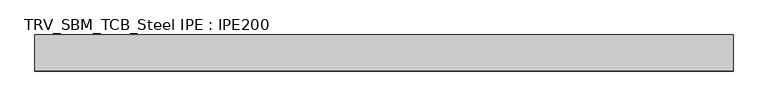
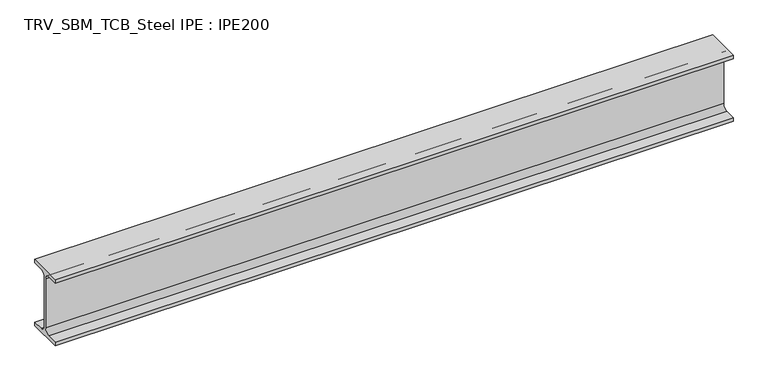
"""IFC4 building model written with IfcOpenShell, lengths in millimetres: beam geometry, TRV_SBM_TCB_Steel IPE : IPE200."""

import ifcopenshell
import ifcopenshell.guid

model = None  # the IFC model being written
_history = None  # IfcOwnerHistory: only IFC2X3 demands one
_inside = {}  # id of a spatial element -> (the spatial element, [elements in it])
_under = {}  # id of a project, library or spatial element -> (it, [spatial elements below it])
_declared = {}  # id of a project -> (the project, [libraries it declares])
_typed = {}  # id of a type object -> (the type object, [elements of that type])
_made_of = {}  # id of a material, layer set ... -> (it, [elements and type objects made of it])


def new_model(schema):
    """Start an empty IFC model of exactly this schema.

    Asked for "IFC4X3", IfcOpenShell would pick the latest addendum, in which some entities
    have other attributes; the version numbers below select the first issue.
    IFC2X3 requires an IfcOwnerHistory on every rooted entity: one is made here for all.
    """
    global model, _history
    if schema == "IFC4X3":
        model = ifcopenshell.file(schema_version=(4, 3, 0, 0))
    else:
        model = ifcopenshell.file(schema=schema)
    _inside.clear()
    _under.clear()
    _declared.clear()
    _typed.clear()
    _made_of.clear()
    _history = None
    if model.schema == "IFC2X3":
        org = make("IfcOrganization", Name="unknown")
        user = make(
            "IfcPersonAndOrganization",
            ThePerson=make("IfcPerson", FamilyName="unknown"),
            TheOrganization=org,
        )
        app = make(
            "IfcApplication",
            ApplicationDeveloper=org,
            Version="unknown",
            ApplicationFullName="unknown",
            ApplicationIdentifier="unknown",
        )
        _history = make(
            "IfcOwnerHistory",
            OwningUser=user,
            OwningApplication=app,
            ChangeAction="ADDED",
            CreationDate=0,
        )
    return model


def make(cls, **values):
    """One entity of the class cls with the attributes given. An attribute that is None is left unset."""
    return model.create_entity(
        cls, **{name: value for name, value in values.items() if value is not None}
    )


def rooted(cls, **values):
    """An entity with a GlobalId (a new one), such as an element, a storey or a relation."""
    return make(cls, GlobalId=ifcopenshell.guid.new(), OwnerHistory=_history, **values)


def si_unit(unit_type, name, prefix=None):
    """IfcSIUnit, for example si_unit("LENGTHUNIT", "METRE", prefix="MILLI")."""
    return make("IfcSIUnit", UnitType=unit_type, Prefix=prefix, Name=name)


def assignment(units):
    """IfcUnitAssignment: the units of a project."""
    return None if units is None else make("IfcUnitAssignment", Units=units)


def point(xyz):
    """IfcCartesianPoint."""
    return None if xyz is None else make("IfcCartesianPoint", Coordinates=xyz)


def direction(xyz):
    """IfcDirection."""
    return None if xyz is None else make("IfcDirection", DirectionRatios=xyz)


def frame(location, z_axis=None, x_axis=None):
    """IfcAxis2Placement3D, a coordinate frame: its origin and axes. An axis left out is left unset."""
    return make(
        "IfcAxis2Placement3D",
        Location=point(location),
        Axis=direction(z_axis),
        RefDirection=direction(x_axis),
    )


def frame_2d(location, x_axis=None):
    """IfcAxis2Placement2D, a coordinate frame in the plane: its origin and x axis."""
    return make(
        "IfcAxis2Placement2D", Location=point(location), RefDirection=direction(x_axis)
    )


def origin():
    """The frame at (0, 0, 0) with its axes left unset."""
    return frame((0.0, 0.0, 0.0))


def place(relative_to, where):
    """IfcLocalPlacement: puts the frame where relative to a parent placement (None: the world)."""
    return make(
        "IfcLocalPlacement", PlacementRelTo=relative_to, RelativePlacement=where
    )


def context(
    kind, dimensions, precision=None, world=None, true_north=None, identifier=None
):
    """IfcGeometricRepresentationContext, for example the 3D "Model" context."""
    return make(
        "IfcGeometricRepresentationContext",
        ContextIdentifier=identifier,
        ContextType=kind,
        CoordinateSpaceDimension=dimensions,
        Precision=precision,
        WorldCoordinateSystem=world,
        TrueNorth=true_north,
    )


def project(units=None, contexts=None):
    """IfcProject with its units and contexts."""
    return rooted(
        "IfcProject",
        Name="project",
        RepresentationContexts=contexts,
        UnitsInContext=assignment(units),
    )


def spatial(cls, under=None, at=None, **own):
    """A site, building, storey or space (cls), placed at a placement, below another one or the project."""
    s = rooted(cls, ObjectPlacement=at, **own)
    if under is not None:
        _under.setdefault(under.id(), (under, []))[1].append(s)
    return s


def polyline(points):
    """IfcPolyline through the points."""
    return make("IfcPolyline", Points=[point(p) for p in points])


def circle_curve(where, radius):
    """IfcCircle in the frame where."""
    return make("IfcCircle", Position=where, Radius=radius)


def trimmed(basis, trim1, trim2, sense, master):
    """IfcTrimmedCurve: the piece of a basis curve between two trims."""
    return make(
        "IfcTrimmedCurve",
        BasisCurve=basis,
        Trim1=trim1,
        Trim2=trim2,
        SenseAgreement=sense,
        MasterRepresentation=master,
    )


def segment(curve, same_sense, transition):
    """IfcCompositeCurveSegment."""
    return make(
        "IfcCompositeCurveSegment",
        Transition=transition,
        SameSense=same_sense,
        ParentCurve=curve,
    )


def composite_curve(segments, self_intersect=None):
    """IfcCompositeCurve: segments joined end to end."""
    return make("IfcCompositeCurve", Segments=segments, SelfIntersect=self_intersect)


def outline(outer, holes=None, kind="AREA"):
    """IfcArbitraryClosedProfileDef: a profile drawn as a closed curve; with holes, ...WithVoids."""
    if holes is None:
        return make("IfcArbitraryClosedProfileDef", ProfileType=kind, OuterCurve=outer)
    return make(
        "IfcArbitraryProfileDefWithVoids",
        ProfileType=kind,
        OuterCurve=outer,
        InnerCurves=holes,
    )


def extrude(swept, where, along, depth):
    """IfcExtrudedAreaSolid: the profile swept, set in the frame where, extruded along a direction by depth."""
    return make(
        "IfcExtrudedAreaSolid",
        SweptArea=swept,
        Position=where,
        ExtrudedDirection=direction(along),
        Depth=depth,
    )


def shape(context_of_items, identifier, shape_type, items):
    """IfcShapeRepresentation: the items that make up one representation, for example the "Body"."""
    return make(
        "IfcShapeRepresentation",
        ContextOfItems=context_of_items,
        RepresentationIdentifier=identifier,
        RepresentationType=shape_type,
        Items=items,
    )


def source(mapping_origin, context_of_items, identifier, shape_type, items):
    """IfcRepresentationMap: a shape defined once, which mapped items show again and again."""
    return make(
        "IfcRepresentationMap",
        MappingOrigin=mapping_origin,
        MappedRepresentation=shape(context_of_items, identifier, shape_type, items),
    )


def transform(
    local_origin,
    x_axis=None,
    y_axis=None,
    z_axis=None,
    scale=None,
    scale2=None,
    scale3=None,
    uniform=True,
):
    """IfcCartesianTransformationOperator3D, or its non-uniform kind. x_axis, y_axis, z_axis: its Axis1, 2, 3."""
    if uniform:
        return make(
            "IfcCartesianTransformationOperator3D",
            Axis1=direction(x_axis),
            Axis2=direction(y_axis),
            LocalOrigin=point(local_origin),
            Scale=scale,
            Axis3=direction(z_axis),
        )
    return make(
        "IfcCartesianTransformationOperator3DnonUniform",
        Axis1=direction(x_axis),
        Axis2=direction(y_axis),
        LocalOrigin=point(local_origin),
        Scale=scale,
        Axis3=direction(z_axis),
        Scale2=scale2,
        Scale3=scale3,
    )


def mapped(mapping_source, mapping_target):
    """IfcMappedItem: shows the shape of a source again, moved by a transform."""
    return make(
        "IfcMappedItem", MappingSource=mapping_source, MappingTarget=mapping_target
    )


def made_of(thing, what):
    """Note that an element or type object is made of a material, layer set ...; save() writes the relation."""
    if what is not None:
        _made_of.setdefault(what.id(), (what, []))[1].append(thing)
    return thing


def element(
    cls,
    number,
    at=None,
    inside=None,
    cuts=None,
    type_object=None,
    material=None,
    context=None,
    identifier="Body",
    shape_type=None,
    held_by="IfcProductDefinitionShape",
    body=None,
    shapes=None,
    **own,
):
    """One element of the class cls, such as IfcWall. Its Tag is "e" and its number.

    at: its placement. inside: the storey or other place that contains it. cuts: it is an
    opening in that element (IfcRelVoidsElement). A single representation is given by context,
    identifier, shape_type and body (its items); several are given by shapes. held_by: the class
    of the entity that holds the representations. save() writes the other relations.
    """
    e = rooted(cls, Tag="e%d" % number, ObjectPlacement=at, **own)
    if body is not None:
        shapes = [shape(context, identifier, shape_type, body)]
    if shapes is not None:
        e.Representation = make(held_by, Representations=shapes)
    if inside is not None:
        _inside.setdefault(inside.id(), (inside, []))[1].append(e)
    if cuts is not None:
        rooted(
            "IfcRelVoidsElement", RelatingBuildingElement=cuts, RelatedOpeningElement=e
        )
    if type_object is not None:
        _typed.setdefault(type_object.id(), (type_object, []))[1].append(e)
    return made_of(e, material)


def aggregate(whole, parts):
    """IfcRelAggregates: a whole, such as a stair, and the parts it consists of."""
    return rooted("IfcRelAggregates", RelatingObject=whole, RelatedObjects=parts)


def save(model, path):
    """Write the relations noted so far, then the file.

    IfcRelAggregates (storeys below a building ...), IfcRelContainedInSpatialStructure (elements
    in a storey), IfcRelDefinesByType, IfcRelAssociatesMaterial and IfcRelDeclares: one each for
    every whole, place, type object, material and project.
    """
    for whole, parts in _under.values():
        aggregate(whole, parts)
    for where, things in _inside.values():
        rooted(
            "IfcRelContainedInSpatialStructure",
            RelatedElements=things,
            RelatingStructure=where,
        )
    for kind, things in _typed.values():
        rooted("IfcRelDefinesByType", RelatedObjects=things, RelatingType=kind)
    for what, things in _made_of.values():
        rooted("IfcRelAssociatesMaterial", RelatedObjects=things, RelatingMaterial=what)
    for by, libraries in _declared.values():
        rooted("IfcRelDeclares", RelatingContext=by, RelatedDefinitions=libraries)
    model.write(path)


def trv_sbm_tcb_steel_ipe_ipe200_6f8aea35(model_context):
    return source(origin(), model_context, "Body", "SweptSolid", [
        extrude(outline(composite_curve([segment(polyline([(50.0, -89.3), (50.0, -100.0), (-50.0, -100.0), (-50.0, -89.3), (-18.55, -89.3)]), True, "CONTINUOUS"), segment(trimmed(circle_curve(frame_2d((-18.55, -74.3)), 15.0), [point((-18.55, -89.3))], [point((-3.55, -74.3))], True, "CARTESIAN"), True, "CONTINUOUS"), segment(polyline([(-3.55, -74.3), (-3.55, 74.3)]), True, "CONTINUOUS"), segment(trimmed(circle_curve(frame_2d((-18.55, 74.3)), 15.0), [point((-3.55, 74.3))], [point((-18.55, 89.3))], True, "CARTESIAN"), True, "CONTINUOUS"), segment(polyline([(-18.55, 89.3), (-50.0, 89.3), (-50.0, 100.0), (50.0, 100.0), (50.0, 89.3), (18.55, 89.3)]), True, "CONTINUOUS"), segment(trimmed(circle_curve(frame_2d((18.55, 74.3)), 15.0), [point((18.55, 89.3))], [point((3.55, 74.3))], True, "CARTESIAN"), True, "CONTINUOUS"), segment(polyline([(3.55, 74.3), (3.55, -74.3)]), True, "CONTINUOUS"), segment(trimmed(circle_curve(frame_2d((18.55, -74.3)), 15.0), [point((3.55, -74.3))], [point((18.55, -89.3))], True, "CARTESIAN"), True, "CONTINUOUS"), segment(polyline([(18.55, -89.3), (50.0, -89.3)]), True, "CONTINUOUS")], self_intersect=False)), frame((-992.5, 0.0, 0.0), z_axis=(1.0, 0.0, 0.0), x_axis=(0.0, 1.0, 0.0)), (0.0, 0.0, 1.0), 1935.0),
    ])


if __name__ == "__main__":
    model = new_model("IFC4")
    model_context = context("Model", 3, world=origin())
    ifc_project = project(units=[si_unit("LENGTHUNIT", "METRE", prefix="MILLI")], contexts=[model_context])
    site = spatial("IfcSite", under=ifc_project)
    building = spatial("IfcBuilding", under=site)
    placement = place(None, origin())
    trv_sbm_tcb_steel_ipe_ipe200_shape = trv_sbm_tcb_steel_ipe_ipe200_6f8aea35(model_context)
    element("IfcBeam", 1, ObjectType="TRV_SBM_TCB_Steel IPE : IPE200", at=placement, inside=building, context=model_context, shape_type="MappedRepresentation", body=[
        mapped(trv_sbm_tcb_steel_ipe_ipe200_shape, transform((0.0, 0.0, 0.0), x_axis=(1.0, 0.0, 0.0), y_axis=(0.0, 1.0, 0.0), z_axis=(0.0, 0.0, 1.0))),
    ])
    save(model, "model.ifc")
